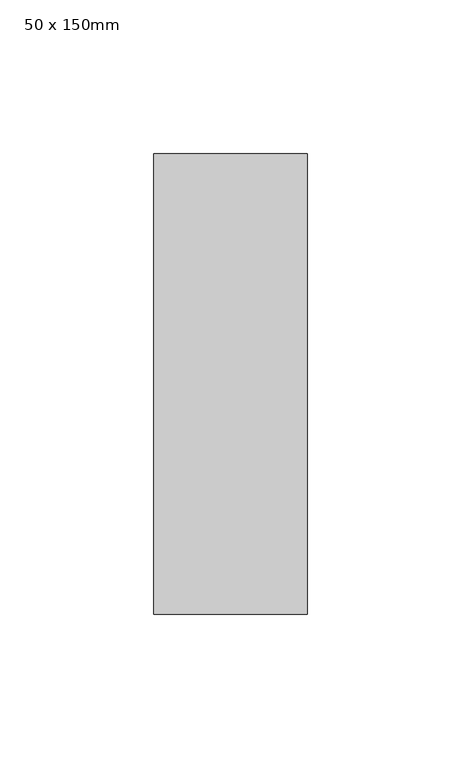
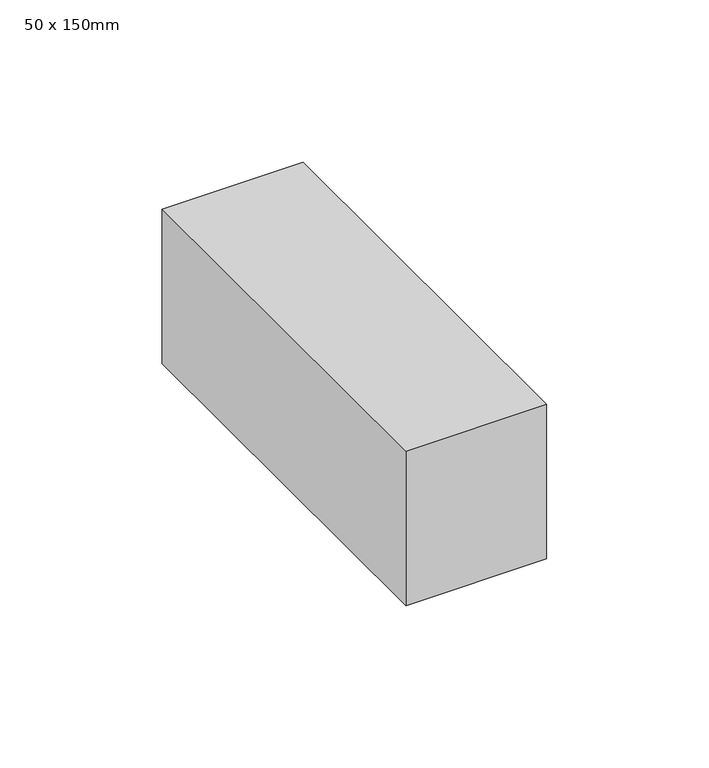
"""IFC4 building model written with IfcOpenShell, lengths in millimetres: member geometry, 50 x 150mm."""

from ifc_helpers import new_model, si_unit, frame, origin, place, context, project, spatial, polyline, outline, extrude, source, transform, mapped, element, save


def member_50_x_150mm_2632ca51(model_context):
    return source(origin(), model_context, "Body", "SweptSolid", [
        extrude(outline(polyline([(0.0, 75.0), (0.0, -75.0), (-50.0, -75.0), (-50.0, 75.0), (0.0, 75.0)])), frame((0.0, 0.0, -58.0582566), z_axis=(0.0, 0.0, 1.0), x_axis=(1.0, 0.0, 0.0)), (0.0, 0.0, 1.0), 58.0582566),
    ])


if __name__ == "__main__":
    model = new_model("IFC4")
    model_context = context("Model", 3, world=origin())
    ifc_project = project(units=[si_unit("LENGTHUNIT", "METRE", prefix="MILLI")], contexts=[model_context])
    site = spatial("IfcSite", under=ifc_project)
    building = spatial("IfcBuilding", under=site)
    placement = place(None, origin())
    member_50_x_150mm_shape = member_50_x_150mm_2632ca51(model_context)
    element("IfcMember", 1, ObjectType="50 x 150mm", at=placement, inside=building, context=model_context, shape_type="MappedRepresentation", body=[
        mapped(member_50_x_150mm_shape, transform((0.0, 0.0, 0.0), x_axis=(1.0, 0.0, 0.0), y_axis=(0.0, 1.0, 0.0), z_axis=(0.0, 0.0, 1.0))),
    ])
    save(model, "model.ifc")
